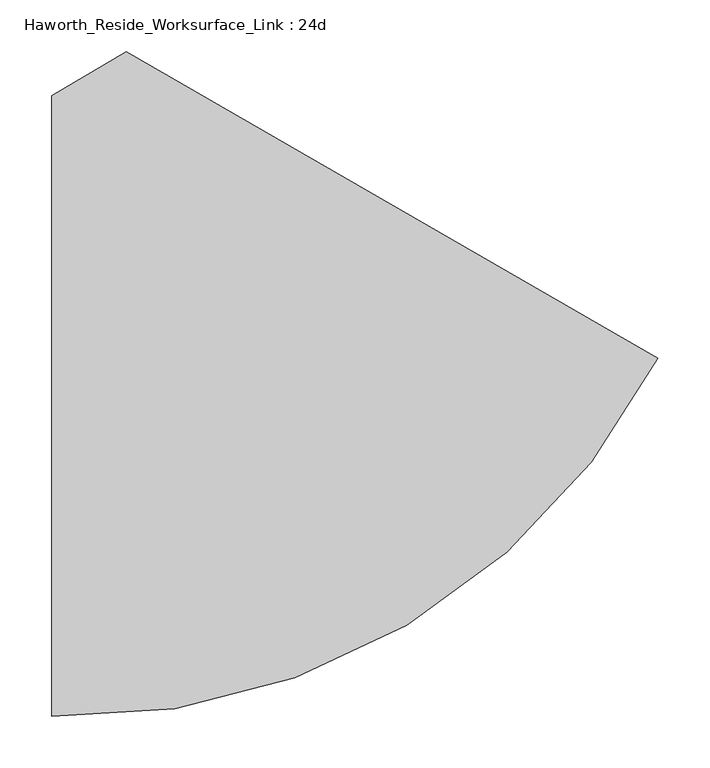
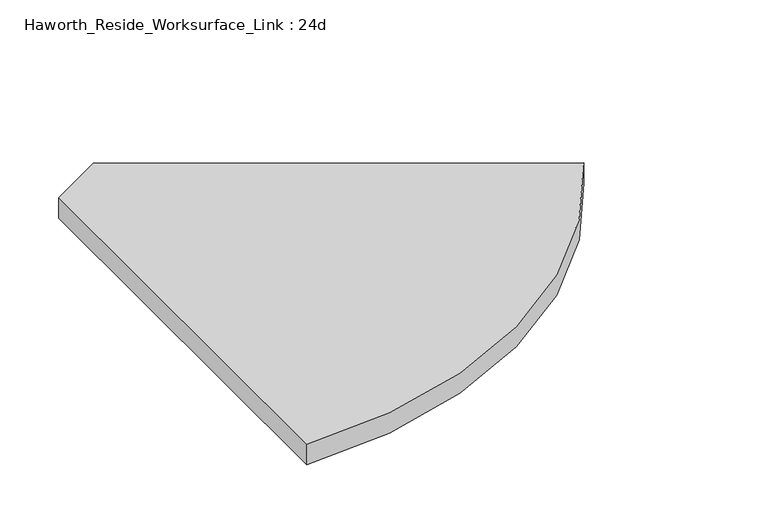
"""IFC4 building model written with IfcOpenShell, lengths in millimetres: furniture geometry, Haworth_Reside_Worksurface_Link : 24d."""

from ifc_helpers import new_model, si_unit, point, frame, frame_2d, origin, place, context, project, spatial, polyline, circle_curve, trimmed, segment, composite_curve, outline, extrude, source, transform, mapped, element, save


def haworth_reside_worksurface_link_24d_ec8b5983(model_context):
    return source(origin(), model_context, "Body", "SweptSolid", [
        extrude(outline(composite_curve([segment(polyline([(16.942181, 76.2063294), (89.5373658, 119.1300203), (604.7600466, -177.9584576)]), True, "CONTINUOUS"), segment(trimmed(circle_curve(frame_2d((36.0530223, 113.2945185)), 638.9491182), [point((604.7600466, -177.9584576))], [point((16.942181, -525.368735))], False, "CARTESIAN"), True, "CONTINUOUS"), segment(polyline([(16.942181, -525.368735), (16.942181, 76.2063294)]), True, "CONTINUOUS")], self_intersect=False)), frame((0.0, 0.0, 731.8375), z_axis=(0.0, 0.0, 1.0), x_axis=(1.0, 0.0, 0.0)), (0.0, 0.0, 1.0), 30.1625),
    ])


if __name__ == "__main__":
    model = new_model("IFC4")
    model_context = context("Model", 3, world=origin())
    ifc_project = project(units=[si_unit("LENGTHUNIT", "METRE", prefix="MILLI")], contexts=[model_context])
    site = spatial("IfcSite", under=ifc_project)
    building = spatial("IfcBuilding", under=site)
    placement = place(None, origin())
    haworth_reside_worksurface_link_24d_shape = haworth_reside_worksurface_link_24d_ec8b5983(model_context)
    element("IfcFurniture", 1, ObjectType="Haworth_Reside_Worksurface_Link : 24d", at=placement, inside=building, context=model_context, shape_type="MappedRepresentation", body=[
        mapped(haworth_reside_worksurface_link_24d_shape, transform((0.0, 0.0, 0.0), x_axis=(1.0, 0.0, 0.0), y_axis=(0.0, 1.0, 0.0), z_axis=(0.0, 0.0, 1.0))),
    ])
    save(model, "model.ifc")
